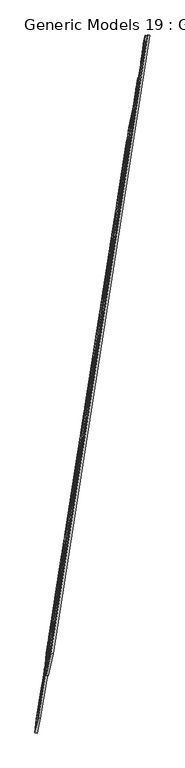
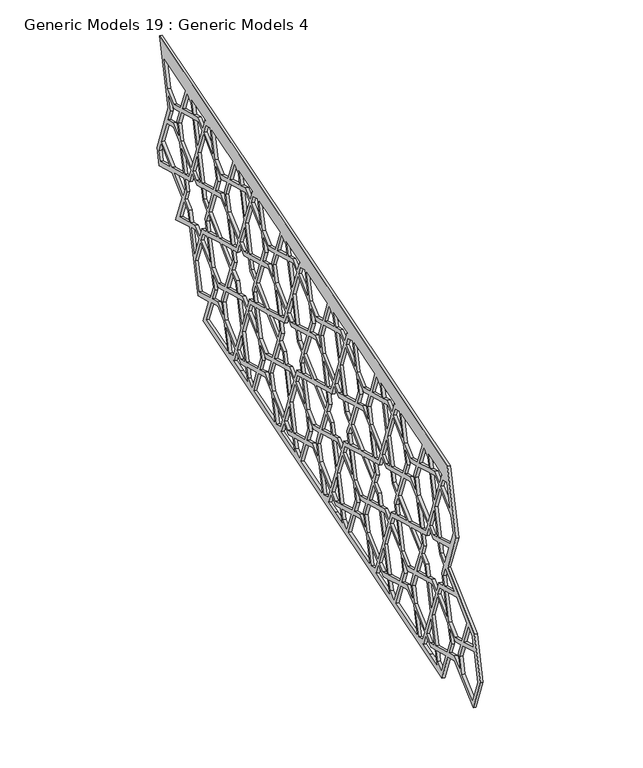
"""IFC4 building model written with IfcOpenShell, lengths in millimetres: proxy geometry, Generic Models 19 : Generic Models 4."""

from ifc_helpers import new_model, si_unit, frame, origin, place, context, project, spatial, polyline, outline, extrude, source, transform, mapped, element, save


def generic_models_19_generic_models_4_44be56ef(model_context):
    return source(origin(), model_context, "Body", "SweptSolid", [
        extrude(outline(polyline([(1370.5827464, 946.960932), (880.7266208, -235.65637), (-21456.4557581, -235.65637), (-21006.3144877, 851.08079), (-21997.8480414, 440.3741445), (-22497.4239808, 1646.4571529), (-22915.1414634, 2654.9163648), (-24167.9876101, 2135.9704992), (-23661.4008358, 3358.9791603), (-24623.0969225, 3757.3267223), (-25790.6671723, 3273.7032898), (-26040.9440156, 3877.925039), (-25123.6506012, 6092.4672406), (-26083.298603, 8409.2624616), (840.6438167, 8409.2624616), (1800.2918185, 6092.4672405), (1120.3698923, 4450.9905052), (3679.1400607, 3391.1131984), (4328.3107126, 1823.8766063), (3755.2452294, 440.3741445), (2536.5408999, 945.1780063), (1951.4096414, 1187.5473094), (1370.5827464, 946.960932)]), holes=[polyline([(389.3180584, 0.0), (317.6943481, 29.6675122), (147.5740853, 440.3741577), (-263.132547, 270.2539004), (-673.8391793, 440.3741577), (-843.9594419, 29.6675122), (-915.5831523, 0.0), (-263.1325469, 0.0), (389.3180584, 0.0)]), polyline([(-263.132547, 462.0141581), (79.776596, 604.0517758), (-263.132547, 1431.9076795), (-606.0416899, 604.0517757), (-263.132547, 462.0141581)]), polyline([(79.7766093, 2722.7138672), (-263.1325469, 2864.7514903), (-606.0417032, 2722.7138672), (-263.132547, 1894.8579316), (79.7766093, 2722.7138672)]), polyline([(1951.4096546, 3782.0449047), (959.8761141, 3371.3382647), (1370.5827596, 2379.804711), (1951.4096865, 2139.2183204), (2532.2365815, 2379.8046977), (2942.943227, 3371.3382514), (1951.4096546, 3782.0449047)]), polyline([(796.198496, 3303.5407754), (453.2893398, 3161.5031522), (311.2517167, 2818.593996), (1139.1076523, 2475.6848398), (796.198496, 3303.5407754)]), polyline([(243.4542274, 2654.9163779), (-167.2524259, 1663.3828056), (243.4542142, 671.849265), (1234.9877678, 1082.5559105), (1475.5741584, 1663.3828374), (1234.9877811, 2244.2097325), (243.4542274, 2654.9163779)]), polyline([(311.2517034, 508.171647), (453.2893266, 165.2624907), (796.1984828, 23.2248676), (1139.107639, 851.0808032), (311.2517034, 508.171647)]), polyline([(2235.4849118, 1663.3827923), (2436.3564526, 2148.3295904), (1951.4096865, 1947.4580628), (1466.4628884, 2148.3296037), (1667.334416, 1663.3828374), (1466.4628752, 1178.4360394), (1951.4096415, 1379.3075669), (2436.3564395, 1178.4360261), (2235.4849118, 1663.3827923)]), polyline([(3659.3651005, 671.8492519), (4070.0717537, 1663.3828242), (3659.3651138, 2654.9163648), (2667.83156, 2244.2097192), (2427.2451695, 1663.3827923), (2667.8315468, 1082.5558973), (3659.3651005, 671.8492519)]), polyline([(3591.5676245, 2818.5939828), (3449.5300012, 3161.503139), (3106.6208451, 3303.5407622), (2763.7116888, 2475.6848266), (3591.5676245, 2818.5939828)]), polyline([(1719.9345604, 3877.925039), (892.0786248, 4220.8341952), (750.0410017, 3877.925039), (892.0786249, 3535.0158827), (1719.9345604, 3877.925039)]), polyline([(728.4010067, 3467.2183935), (558.280744, 3877.925039), (728.4010067, 4288.6316845), (317.6943612, 4458.7519472), (147.5740986, 4869.4585927), (-263.132547, 4699.3383299), (-673.8391925, 4869.4585927), (-843.9594552, 4458.7519472), (-1254.6661006, 4288.6316845), (-1084.5458379, 3877.925039), (-1254.6661006, 3467.2183935), (-843.9594551, 3297.0981308), (-673.8391925, 2886.3914853), (-263.1325469, 3056.511748), (147.5740986, 2886.3914853), (317.6943613, 3297.0981308), (728.4010067, 3467.2183935)]), polyline([(389.3180584, 7755.8500779), (-263.132547, 7755.8500779), (-915.5831523, 7755.8500779), (-843.959442, 7726.1825658), (-673.8391792, 7315.4759203), (-263.1325469, 7485.5961775), (147.5740853, 7315.4759203), (317.694348, 7726.1825657), (389.3180584, 7755.8500779)]), polyline([(-263.1325469, 7293.8359199), (-606.0416899, 7151.7983022), (-263.1325469, 6323.9423984), (79.776596, 7151.7983022), (-263.1325469, 7293.8359199)]), polyline([(79.7766093, 5033.1362108), (-263.1325469, 5860.9921464), (-606.0417032, 5033.1362108), (-263.132547, 4891.0985876), (79.7766093, 5033.1362108)]), polyline([(796.198496, 4452.3093025), (1139.1076523, 5280.1652382), (311.2517166, 4937.2560819), (453.2893398, 4594.3469257), (796.198496, 4452.3093025)]), polyline([(243.4542273, 5100.9337001), (1234.9877811, 5511.6403455), (1475.5741583, 6092.4672406), (1234.9877678, 6673.2941674), (243.4542141, 7084.0008129), (-167.2524258, 6092.4672724), (243.4542273, 5100.9337001)]), polyline([(311.2517034, 7247.678431), (1139.1076391, 6904.7692748), (796.1984828, 7732.6252104), (453.2893266, 7590.5875873), (311.2517034, 7247.678431)]), polyline([(-2477.6747486, 3782.0449047), (-3469.2083209, 3371.3382515), (-3058.5016754, 2379.8046978), (-2477.6747804, 2139.2183204), (-1896.8478535, 2379.804711), (-1486.141208, 3371.3382647), (-2477.6747486, 3782.0449047)]), polyline([(-1322.4635899, 3303.5407754), (-1665.3727462, 2475.6848398), (-837.5168105, 2818.593996), (-979.5544337, 3161.5031522), (-1322.4635899, 3303.5407754)]), polyline([(-769.7193212, 2654.9163779), (-1761.252875, 2244.2097324), (-2001.8392522, 1663.3828374), (-1761.2528617, 1082.5559106), (-769.719308, 671.849265), (-359.0126681, 1663.3828055), (-769.7193212, 2654.9163779)]), polyline([(-837.5167973, 508.171647), (-1665.372733, 851.0808032), (-1322.4635767, 23.2248675), (-979.5544205, 165.2624908), (-837.5167973, 508.171647)]), polyline([(-2761.7500058, 1663.3827923), (-2962.6215334, 1178.4360262), (-2477.6747353, 1379.307567), (-1992.7279691, 1178.4360394), (-2193.5995099, 1663.3828374), (-1992.7279823, 2148.3296036), (-2477.6747804, 1947.4580629), (-2962.6215466, 2148.3295904), (-2761.7500058, 1663.3827923)]), polyline([(-3450.7457178, 0.0), (-1504.6037793, 0.0), (-1896.8478403, 946.960932), (-2477.6747353, 1187.5473093), (-3058.5016622, 946.9609188), (-3450.7457178, 0.0)]), polyline([(-3289.9767696, 851.08079), (-4117.8327052, 508.1716337), (-3975.795082, 165.2624775), (-3632.8859257, 23.2248543), (-3289.9767696, 851.08079)]), polyline([(-4185.6301944, 671.8492519), (-3194.0966407, 1082.5558973), (-2953.5102634, 1663.3827923), (-3194.0966539, 2244.2097192), (-4185.6302076, 2654.9163647), (-4596.3368477, 1663.3828242), (-4185.6301944, 671.8492519)]), polyline([(-4117.8327183, 2818.5939828), (-3289.9767827, 2475.6848266), (-3632.885939, 3303.5407622), (-3975.7950952, 3161.5031391), (-4117.8327183, 2818.5939828)]), polyline([(-4349.3078257, 2722.713854), (-4692.2169764, 2864.7514749), (-5035.1261272, 2722.713854), (-4692.2169765, 1894.8579316), (-4349.3078257, 2722.713854)]), polyline([(-4692.2169765, 270.2538786), (-5102.9236297, 440.3741445), (-5273.0438924, 29.667499), (-5344.6675708, 0.0), (-4039.7663821, 0.0), (-4111.3900605, 29.667499), (-4281.5103232, 440.3741445), (-4692.2169765, 270.2538786)]), polyline([(-4692.2169765, 462.0141362), (-4349.3078125, 604.0517625), (-4692.2169765, 1431.9077169), (-5035.1261404, 604.0517626), (-4692.2169765, 462.0141362)]), polyline([(-3870.8036965, 3877.9250389), (-3700.6834283, 4288.6316976), (-4111.3900738, 4458.7519604), (-4281.5103364, 4869.4586059), (-4692.2169765, 4699.3383455), (-5102.9236165, 4869.4586059), (-5273.0438793, 4458.7519604), (-5683.7505247, 4288.6316976), (-5513.6302565, 3877.925039), (-5683.7505247, 3467.2183803), (-5273.0438792, 3297.0981176), (-5102.9236165, 2886.3914721), (-4692.2169765, 3056.5117326), (-4281.5103364, 2886.3914721), (-4111.3900737, 3297.0981176), (-3700.6834283, 3467.2183803), (-3870.8036965, 3877.9250389)]), polyline([(-3679.0434388, 3877.9250389), (-3537.0058101, 3535.0158695), (-2709.1498427, 3877.925039), (-3537.0058102, 4220.8342084), (-3679.0434388, 3877.9250389)]), polyline([(-2246.1996543, 3877.925039), (-1418.3437187, 3535.0158827), (-1276.3060956, 3877.925039), (-1418.3437188, 4220.8341952), (-2246.1996543, 3877.925039)]), polyline([(-2477.6747486, 3973.8051732), (-1486.141208, 4384.5118133), (-1896.8478535, 5376.045367), (-2477.6747804, 5616.6317575), (-3058.5016754, 5376.0453802), (-3469.2083209, 4384.5118265), (-2477.6747486, 3973.8051732)]), polyline([(-1322.46359, 4452.3093026), (-979.5544337, 4594.3469257), (-837.5168106, 4937.2560819), (-1665.3727462, 5280.1652382), (-1322.46359, 4452.3093026)]), polyline([(-769.7193213, 5100.9337001), (-359.012668, 6092.4672724), (-769.7193081, 7084.0008129), (-1761.2528617, 6673.2941675), (-2001.8392523, 6092.4672406), (-1761.252875, 5511.6403455), (-769.7193213, 5100.9337001)]), polyline([(-837.5167973, 7247.678431), (-979.5544205, 7590.5875873), (-1322.4635767, 7732.6252104), (-1665.3727329, 6904.7692748), (-837.5167973, 7247.678431)]), polyline([(-2761.7500058, 6092.4672856), (-2962.6215466, 5607.5204875), (-2477.6747804, 5808.3920151), (-1992.7279824, 5607.5204744), (-2193.5995099, 6092.4672406), (-1992.7279691, 6577.4140386), (-2477.6747354, 6376.542511), (-2962.6215334, 6577.4140518), (-2761.7500058, 6092.4672856)]), polyline([(-3450.7457178, 7755.850078), (-3058.5016622, 6808.8891592), (-2477.6747354, 6568.3027687), (-1896.8478403, 6808.889146), (-1504.6037793, 7755.8500779), (-3450.7457178, 7755.850078)]), polyline([(-3289.9767696, 6904.769288), (-3632.8859258, 7732.6252235), (-3975.795082, 7590.5876004), (-4117.8327052, 7247.6784442), (-3289.9767696, 6904.769288)]), polyline([(-4185.6301944, 7084.0008262), (-4596.3368476, 6092.4672537), (-4185.6302077, 5100.9337132), (-3194.0966539, 5511.6403588), (-2953.5102634, 6092.4672856), (-3194.0966407, 6673.2941806), (-4185.6301944, 7084.0008262)]), polyline([(-4117.8327184, 4937.2560952), (-3975.7950952, 4594.346939), (-3632.885939, 4452.3093158), (-3289.9767827, 5280.1652513), (-4117.8327184, 4937.2560952)]), polyline([(-4349.3078257, 5033.136224), (-4692.2169765, 5860.9921464), (-5035.1261273, 5033.136224), (-4692.2169765, 4891.0986031), (-4349.3078257, 5033.136224)]), polyline([(-4692.2169765, 7485.5961994), (-4281.5103233, 7315.4759335), (-4111.3900606, 7726.182579), (-4039.7663821, 7755.850078), (-5344.6675708, 7755.8500779), (-5273.0438925, 7726.182579), (-5102.9236297, 7315.4759334), (-4692.2169765, 7485.5961994)]), polyline([(-4692.2169765, 7293.8359418), (-5035.1261404, 7151.7983154), (-4692.2169765, 6323.9423612), (-4349.3078125, 7151.7983153), (-4692.2169765, 7293.8359418)]), polyline([(-8468.8508006, 0.0), (-8540.474511, 29.6675122), (-8710.5947737, 440.3741577), (-9121.3014061, 270.2539004), (-9532.0080383, 440.3741577), (-9702.128301, 29.6675122), (-9773.7520113, 0.0), (-9121.301406, 0.0), (-8468.8508006, 0.0)]), polyline([(-9121.301406, 462.0141581), (-8778.3922629, 604.0517758), (-9121.301406, 1431.9076795), (-9464.210549, 604.0517757), (-9121.301406, 462.0141581)]), polyline([(-8778.3922497, 2722.7138672), (-9121.301406, 2864.7514903), (-9464.2105622, 2722.7138672), (-9121.301406, 1894.8579316), (-8778.3922497, 2722.7138672)]), polyline([(-6906.7592044, 3782.0449047), (-7898.292745, 3371.3382647), (-7487.5860995, 2379.804711), (-6906.7591726, 2139.2183204), (-6325.9322776, 2379.8046977), (-5915.225632, 3371.3382514), (-6906.7592044, 3782.0449047)]), polyline([(-8061.970363, 3303.5407754), (-8404.8795193, 3161.5031522), (-8546.9171424, 2818.593996), (-7719.0612068, 2475.6848398), (-8061.970363, 3303.5407754)]), polyline([(-8614.7146316, 2654.9163779), (-9025.4212849, 1663.3828056), (-8614.7146449, 671.849265), (-7623.1810912, 1082.5559105), (-7382.5947007, 1663.3828374), (-7623.181078, 2244.2097325), (-8614.7146316, 2654.9163779)]), polyline([(-8546.9171556, 508.171647), (-8404.8795325, 165.2624907), (-8061.9703762, 23.2248676), (-7719.06122, 851.0808032), (-8546.9171556, 508.171647)]), polyline([(-6622.6839472, 1663.3827923), (-6421.8124064, 2148.3295904), (-6906.7591726, 1947.4580628), (-7391.7059706, 2148.3296037), (-7190.8344431, 1663.3828374), (-7391.7059839, 1178.4360394), (-6906.7592176, 1379.3075669), (-6421.8124196, 1178.4360261), (-6622.6839472, 1663.3827923)]), polyline([(-5933.6882351, 0.0), (-6325.9322907, 946.9609188), (-6906.7592176, 1187.5473094), (-7487.5861127, 946.960932), (-7879.8301737, 0.0), (-5933.6882351, 0.0)]), polyline([(-6094.4571834, 851.08079), (-5751.5480272, 23.2248544), (-5408.6388709, 165.2624776), (-5266.6012478, 508.1716337), (-6094.4571834, 851.08079)]), polyline([(-5198.8037585, 671.8492519), (-4788.0971053, 1663.3828242), (-5198.8037453, 2654.9163648), (-6190.3372991, 2244.2097192), (-6430.9236895, 1663.3827923), (-6190.3373122, 1082.5558973), (-5198.8037585, 671.8492519)]), polyline([(-5266.6012346, 2818.5939828), (-5408.6388578, 3161.503139), (-5751.548014, 3303.5407622), (-6094.4571702, 2475.6848266), (-5266.6012346, 2818.5939828)]), polyline([(-5705.3905142, 3877.925039), (-5847.4281428, 4220.8342084), (-6675.2841103, 3877.9250389), (-5847.4281428, 3535.0158696), (-5705.3905142, 3877.925039)]), polyline([(-7138.2342986, 3877.925039), (-7966.0902342, 4220.8341952), (-8108.1278574, 3877.925039), (-7966.0902342, 3535.0158827), (-7138.2342986, 3877.925039)]), polyline([(-8129.7678523, 3467.2183935), (-8299.8881151, 3877.925039), (-8129.7678523, 4288.6316845), (-8540.4744978, 4458.7519472), (-8710.5947605, 4869.4585927), (-9121.301406, 4699.3383299), (-9532.0080515, 4869.4585927), (-9702.1283143, 4458.7519472), (-10112.8349597, 4288.6316845), (-9942.714697, 3877.925039), (-10112.8349597, 3467.2183935), (-9702.1283142, 3297.0981308), (-9532.0080515, 2886.3914853), (-9121.301406, 3056.511748), (-8710.5947605, 2886.3914853), (-8540.4744978, 3297.0981308), (-8129.7678523, 3467.2183935)]), polyline([(-8468.8508007, 7755.8500779), (-9121.3014061, 7755.8500779), (-9773.7520113, 7755.8500779), (-9702.128301, 7726.1825658), (-9532.0080383, 7315.4759203), (-9121.301406, 7485.5961775), (-8710.5947737, 7315.4759203), (-8540.4745109, 7726.1825657), (-8468.8508007, 7755.8500779)]), polyline([(-9121.301406, 7293.8359199), (-9464.210549, 7151.7983022), (-9121.301406, 6323.9423984), (-8778.392263, 7151.7983022), (-9121.301406, 7293.8359199)]), polyline([(-8778.3922498, 5033.1362108), (-9121.301406, 5860.9921464), (-9464.2105623, 5033.1362108), (-9121.301406, 4891.0985876), (-8778.3922498, 5033.1362108)]), polyline([(-6906.7592044, 3973.8051733), (-5915.2256321, 4384.5118265), (-6325.9322776, 5376.0453802), (-6906.7591726, 5616.6317575), (-7487.5860995, 5376.045367), (-7898.292745, 4384.5118133), (-6906.7592044, 3973.8051733)]), polyline([(-8061.970363, 4452.3093026), (-7719.0612068, 5280.1652382), (-8546.9171424, 4937.2560819), (-8404.8795192, 4594.3469257), (-8061.970363, 4452.3093026)]), polyline([(-8614.7146316, 5100.9337001), (-7623.181078, 5511.6403455), (-7382.5947007, 6092.4672406), (-7623.1810912, 6673.2941674), (-8614.7146449, 7084.0008129), (-9025.4212849, 6092.4672724), (-8614.7146316, 5100.9337001)]), polyline([(-8546.9171556, 7247.678431), (-7719.06122, 6904.7692748), (-8061.9703762, 7732.6252104), (-8404.8795324, 7590.5875873), (-8546.9171556, 7247.678431)]), polyline([(-6622.6839471, 6092.4672856), (-6421.8124196, 6577.4140519), (-6906.7592176, 6376.542511), (-7391.7059838, 6577.4140386), (-7190.8344431, 6092.4672406), (-7391.7059706, 5607.5204743), (-6906.7591726, 5808.3920151), (-6421.8124064, 5607.5204876), (-6622.6839471, 6092.4672856)]), polyline([(-5933.6882352, 7755.850078), (-7879.8301737, 7755.850078), (-7487.5861126, 6808.8891459), (-6906.7592176, 6568.3027687), (-6325.9322907, 6808.8891592), (-5933.6882352, 7755.850078)]), polyline([(-6094.4571834, 6904.769288), (-5266.6012478, 7247.6784442), (-5408.638871, 7590.5876004), (-5751.5480272, 7732.6252236), (-6094.4571834, 6904.769288)]), polyline([(-5198.8037585, 7084.0008261), (-6190.3373122, 6673.2941806), (-6430.9236896, 6092.4672856), (-6190.3372991, 5511.6403588), (-5198.8037454, 5100.9337132), (-4788.0971053, 6092.4672537), (-5198.8037585, 7084.0008261)]), polyline([(-5266.6012346, 4937.2560952), (-6094.4571702, 5280.1652513), (-5751.548014, 4452.3093157), (-5408.6388578, 4594.3469389), (-5266.6012346, 4937.2560952)]), polyline([(-22982.9389527, 2818.5939828), (-23124.9765758, 3161.503139), (-23467.8857321, 3303.5407622), (-23810.7948883, 2475.6848266), (-22982.9389527, 2818.5939828)]), polyline([(-22751.4638454, 2722.713854), (-22408.5546946, 1894.8579316), (-22065.6455438, 2722.713854), (-22408.5546946, 2864.7514749), (-22751.4638454, 2722.713854)]), polyline([(-23229.9679746, 3877.925039), (-23400.0882428, 3467.2183803), (-22989.3815973, 3297.0981176), (-22819.2613346, 2886.3914721), (-22408.5546946, 3056.5117326), (-21997.8480545, 2886.3914721), (-21827.7277918, 3297.0981176), (-21417.0211464, 3467.2183803), (-21587.1414145, 3877.9250389), (-21417.0211464, 4288.6316976), (-21827.7277919, 4458.7519604), (-21997.8480545, 4869.4586059), (-22408.5546945, 4699.3383455), (-22819.2613346, 4869.4586059), (-22989.3815974, 4458.7519604), (-23400.0882428, 4288.6316976), (-23229.9679746, 3877.925039)]), polyline([(-23421.7282323, 3877.925039), (-23563.7658609, 4220.8342084), (-24391.6218284, 3877.9250389), (-23563.7658609, 3535.0158696), (-23421.7282323, 3877.925039)]), polyline([(-24854.5720167, 3877.925039), (-25682.4279524, 4220.8341952), (-25824.4655755, 3877.925039), (-25682.4279523, 3535.0158827), (-24854.5720167, 3877.925039)]), polyline([(-24623.0969225, 3973.8051733), (-23631.5633502, 4384.5118265), (-24042.2699957, 5376.0453802), (-24623.0968907, 5616.6317575), (-25203.9238176, 5376.045367), (-25614.630463, 4384.5118133), (-24623.0969225, 3973.8051733)]), polyline([(-24339.0216653, 6092.4672856), (-24138.1501377, 6577.4140519), (-24623.0969357, 6376.542511), (-25108.0437019, 6577.4140386), (-24907.1721612, 6092.4672406), (-25108.0436887, 5607.5204743), (-24623.0968907, 5808.3920151), (-24138.1501244, 5607.5204876), (-24339.0216653, 6092.4672856)]), polyline([(-23650.0259532, 7755.850078), (-25596.1678918, 7755.850078), (-25203.9238307, 6808.8891459), (-24623.0969357, 6568.3027687), (-24042.2700089, 6808.8891592), (-23650.0259532, 7755.850078)]), polyline([(-23810.7949015, 6904.769288), (-22982.9389659, 7247.6784442), (-23124.9765891, 7590.5876004), (-23467.8857453, 7732.6252236), (-23810.7949015, 6904.769288)]), polyline([(-22915.1414767, 7084.0008261), (-23906.6750303, 6673.2941806), (-24147.2614076, 6092.4672856), (-23906.6750171, 5511.6403588), (-22915.1414634, 5100.9337132), (-22504.4348234, 6092.4672537), (-22915.1414767, 7084.0008261)]), polyline([(-22982.9389526, 4937.2560952), (-23810.7948883, 5280.1652513), (-23467.8857321, 4452.3093157), (-23124.9765759, 4594.3469389), (-22982.9389526, 4937.2560952)]), polyline([(-22751.4638453, 5033.136224), (-22408.5546945, 4891.0986031), (-22065.6455438, 5033.136224), (-22408.5546946, 5860.9921464), (-22751.4638453, 5033.136224)]), polyline([(-22408.5546946, 7485.5961994), (-21997.8480414, 7315.4759335), (-21827.7277787, 7726.182579), (-21756.1041002, 7755.850078), (-23061.0052889, 7755.8500779), (-22989.3816105, 7726.182579), (-22819.2613478, 7315.4759334), (-22408.5546946, 7485.5961994)]), polyline([(-22408.5546946, 7293.8359418), (-22751.4638585, 7151.7983154), (-22408.5546946, 6323.9423612), (-22065.6455306, 7151.7983153), (-22408.5546946, 7293.8359418)]), polyline([(-18631.9208704, 0.0), (-17979.470265, 0.0), (-17327.0196597, 0.0), (-17398.64337, 29.6675122), (-17568.7636328, 440.3741577), (-17979.470265, 270.2539004), (-18390.1768973, 440.3741577), (-18560.29716, 29.6675122), (-18631.9208704, 0.0)]), polyline([(-17979.470265, 462.0141581), (-17636.561122, 604.0517758), (-17979.470265, 1431.9076795), (-18322.3794081, 604.0517758), (-17979.470265, 462.0141581)]), polyline([(-18322.3794213, 2722.7138672), (-17979.4702651, 1894.8579316), (-17636.5611088, 2722.7138672), (-17979.470265, 2864.7514903), (-18322.3794213, 2722.7138672)]), polyline([(-20194.0124666, 3782.0449047), (-21185.546039, 3371.3382515), (-20774.8393935, 2379.8046978), (-20194.0124985, 2139.2183204), (-19613.1855716, 2379.804711), (-19202.4789261, 3371.3382647), (-20194.0124666, 3782.0449047)]), polyline([(-19038.801308, 3303.5407754), (-19381.7104643, 2475.6848398), (-18553.8545286, 2818.593996), (-18695.8921518, 3161.5031522), (-19038.801308, 3303.5407754)]), polyline([(-18486.0570393, 2654.9163779), (-19477.5905931, 2244.2097324), (-19718.1769704, 1663.3828374), (-19477.5905798, 1082.5559106), (-18486.0570262, 671.849265), (-18075.3503861, 1663.3828055), (-18486.0570393, 2654.9163779)]), polyline([(-18553.8545154, 508.171647), (-19381.710451, 851.0808032), (-19038.8012948, 23.2248675), (-18695.8921386, 165.2624908), (-18553.8545154, 508.171647)]), polyline([(-20478.0877238, 1663.3827923), (-20678.9592515, 1178.4360262), (-20194.0124534, 1379.307567), (-19709.0656872, 1178.4360394), (-19909.937228, 1663.3828374), (-19709.0657005, 2148.3296036), (-20194.0124985, 1947.4580629), (-20678.9592647, 2148.3295904), (-20478.0877238, 1663.3827923)]), polyline([(-21167.0834359, 0.0), (-19220.9414973, 0.0), (-19613.1855585, 946.960932), (-20194.0124534, 1187.5473093), (-20774.8393803, 946.9609188), (-21167.0834359, 0.0)]), polyline([(-21901.9679125, 671.8492519), (-20910.4343589, 1082.5558973), (-20669.8479815, 1663.3827923), (-20910.434372, 2244.2097192), (-21901.9679257, 2654.9163647), (-22312.6745658, 1663.3828242), (-21901.9679125, 671.8492519)]), polyline([(-21834.1704365, 2818.5939828), (-21006.3145009, 2475.6848266), (-21349.2236571, 3303.5407622), (-21692.1328133, 3161.5031391), (-21834.1704365, 2818.5939828)]), polyline([(-21395.3811569, 3877.9250389), (-21253.3435282, 3535.0158695), (-20425.4875608, 3877.925039), (-21253.3435283, 4220.8342084), (-21395.3811569, 3877.9250389)]), polyline([(-19962.5373724, 3877.925039), (-19134.6814368, 3535.0158827), (-18992.6438137, 3877.925039), (-19134.6814368, 4220.8341952), (-19962.5373724, 3877.925039)]), polyline([(-18971.0038187, 3467.2183935), (-18560.2971732, 3297.0981308), (-18390.1769105, 2886.3914853), (-17979.4702651, 3056.511748), (-17568.7636196, 2886.3914853), (-17398.6433568, 3297.0981308), (-16987.9367114, 3467.2183935), (-17158.0569741, 3877.925039), (-16987.9367114, 4288.6316845), (-17398.6433568, 4458.7519472), (-17568.7636195, 4869.4585927), (-17979.4702651, 4699.3383299), (-18390.1769106, 4869.4585927), (-18560.2971733, 4458.7519472), (-18971.0038188, 4288.6316845), (-18800.883556, 3877.925039), (-18971.0038187, 3467.2183935)]), polyline([(-18631.9208703, 7755.8500779), (-18560.2971601, 7726.1825658), (-18390.1768974, 7315.4759203), (-17979.470265, 7485.5961775), (-17568.7636327, 7315.4759203), (-17398.64337, 7726.1825657), (-17327.0196598, 7755.8500779), (-17979.470265, 7755.8500779), (-18631.9208703, 7755.8500779)]), polyline([(-17979.470265, 7293.8359199), (-18322.3794081, 7151.7983022), (-17979.470265, 6323.9423984), (-17636.561122, 7151.7983022), (-17979.470265, 7293.8359199)]), polyline([(-18322.3794212, 5033.1362108), (-17979.4702651, 4891.0985876), (-17636.5611089, 5033.1362108), (-17979.4702651, 5860.9921464), (-18322.3794212, 5033.1362108)]), polyline([(-20194.0124667, 3973.8051732), (-19202.4789261, 4384.5118133), (-19613.1855716, 5376.045367), (-20194.0124985, 5616.6317575), (-20774.8393935, 5376.0453802), (-21185.5460389, 4384.5118265), (-20194.0124667, 3973.8051732)]), polyline([(-19038.8013081, 4452.3093026), (-18695.8921518, 4594.3469257), (-18553.8545287, 4937.2560819), (-19381.7104643, 5280.1652382), (-19038.8013081, 4452.3093026)]), polyline([(-18486.0570393, 5100.9337001), (-18075.3503861, 6092.4672724), (-18486.0570262, 7084.0008129), (-19477.5905799, 6673.2941675), (-19718.1769703, 6092.4672406), (-19477.590593, 5511.6403455), (-18486.0570393, 5100.9337001)]), polyline([(-18553.8545154, 7247.678431), (-18695.8921386, 7590.5875873), (-19038.8012949, 7732.6252104), (-19381.710451, 6904.7692748), (-18553.8545154, 7247.678431)]), polyline([(-20478.0877239, 6092.4672856), (-20678.9592647, 5607.5204875), (-20194.0124985, 5808.3920151), (-19709.0657005, 5607.5204744), (-19909.937228, 6092.4672406), (-19709.0656872, 6577.4140386), (-20194.0124534, 6376.542511), (-20678.9592515, 6577.4140518), (-20478.0877239, 6092.4672856)]), polyline([(-21167.0834359, 7755.850078), (-20774.8393803, 6808.8891592), (-20194.0124534, 6568.3027687), (-19613.1855584, 6808.889146), (-19220.9414974, 7755.8500779), (-21167.0834359, 7755.850078)]), polyline([(-21006.3144876, 6904.769288), (-21349.2236439, 7732.6252235), (-21692.1328001, 7590.5876004), (-21834.1704233, 7247.6784442), (-21006.3144876, 6904.769288)]), polyline([(-21901.9679125, 7084.0008262), (-22312.6745657, 6092.4672537), (-21901.9679257, 5100.9337132), (-20910.434372, 5511.6403588), (-20669.8479816, 6092.4672856), (-20910.4343589, 6673.2941806), (-21901.9679125, 7084.0008262)]), polyline([(-21834.1704365, 4937.2560952), (-21692.1328133, 4594.346939), (-21349.223657, 4452.3093158), (-21006.3145008, 5280.1652513), (-21834.1704365, 4937.2560952)]), polyline([(-15764.9280635, 3782.0449047), (-16756.461604, 3371.3382647), (-16345.7549585, 2379.804711), (-15764.9280316, 2139.2183204), (-15184.1011366, 2379.8046977), (-14773.3944911, 3371.3382514), (-15764.9280635, 3782.0449047)]), polyline([(-16920.1392221, 3303.5407754), (-17263.0483783, 3161.5031522), (-17405.0860015, 2818.593996), (-16577.2300659, 2475.6848398), (-16920.1392221, 3303.5407754)]), polyline([(-17472.8834907, 2654.9163779), (-17883.590144, 1663.3828056), (-17472.8835039, 671.849265), (-16481.3499503, 1082.5559105), (-16240.7635597, 1663.3828374), (-16481.349937, 2244.2097325), (-17472.8834907, 2654.9163779)]), polyline([(-17405.0860146, 508.171647), (-17263.0483915, 165.2624907), (-16920.1392353, 23.2248676), (-16577.2300791, 851.0808032), (-17405.0860146, 508.171647)]), polyline([(-15480.8528062, 1663.3827923), (-15279.9812655, 2148.3295904), (-15764.9280316, 1947.4580629), (-16249.8748297, 2148.3296037), (-16049.0033021, 1663.3828374), (-16249.8748429, 1178.4360394), (-15764.9280767, 1379.3075669), (-15279.9812786, 1178.4360261), (-15480.8528062, 1663.3827923)]), polyline([(-14791.8570942, 0.0), (-15184.1011498, 946.9609188), (-15764.9280767, 1187.5473094), (-16345.7549717, 946.960932), (-16737.9990328, 0.0), (-14791.8570942, 0.0)]), polyline([(-14952.6260424, 851.08079), (-14609.7168862, 23.2248544), (-14266.80773, 165.2624776), (-14124.7701068, 508.1716337), (-14952.6260424, 851.08079)]), polyline([(-14056.9726176, 671.8492519), (-13646.2659644, 1663.3828242), (-14056.9726044, 2654.9163648), (-15048.5061581, 2244.2097192), (-15289.0925486, 1663.3827923), (-15048.5061713, 1082.5558973), (-14056.9726176, 671.8492519)]), polyline([(-14124.7700937, 2818.5939828), (-14266.8077168, 3161.503139), (-14609.716873, 3303.5407622), (-14952.6260293, 2475.6848266), (-14124.7700937, 2818.5939828)]), polyline([(-13893.2949863, 2722.713854), (-13550.3858356, 1894.8579316), (-13207.4766847, 2722.713854), (-13550.3858355, 2864.7514749), (-13893.2949863, 2722.713854)]), polyline([(-13550.3858355, 270.2538786), (-13961.0924887, 440.3741445), (-14131.2127515, 29.667499), (-14202.8364299, 0.0), (-12897.9352411, 0.0), (-12969.5589196, 29.667499), (-13139.6791823, 440.3741445), (-13550.3858355, 270.2538786)]), polyline([(-13550.3858355, 462.0141362), (-13207.4766716, 604.0517625), (-13550.3858355, 1431.9077169), (-13893.2949995, 604.0517626), (-13550.3858355, 462.0141362)]), polyline([(-14371.7991156, 3877.925039), (-14541.9193838, 3467.2183803), (-14131.2127382, 3297.0981176), (-13961.0924755, 2886.3914721), (-13550.3858355, 3056.5117326), (-13139.6791955, 2886.3914721), (-12969.5589328, 3297.0981176), (-12558.8522873, 3467.2183803), (-12728.9725555, 3877.9250389), (-12558.8522873, 4288.6316976), (-12969.5589328, 4458.7519604), (-13139.6791955, 4869.4586059), (-13550.3858356, 4699.3383455), (-13961.0924756, 4869.4586059), (-14131.2127383, 4458.7519604), (-14541.9193838, 4288.6316976), (-14371.7991156, 3877.925039)]), polyline([(-14563.5593732, 3877.925039), (-14705.5970018, 4220.8342084), (-15533.4529693, 3877.9250389), (-14705.5970019, 3535.0158696), (-14563.5593732, 3877.925039)]), polyline([(-15996.4031576, 3877.925039), (-16824.2590933, 4220.8341952), (-16966.2967164, 3877.925039), (-16824.2590932, 3535.0158827), (-15996.4031576, 3877.925039)]), polyline([(-15764.9280635, 3973.8051733), (-14773.3944911, 4384.5118265), (-15184.1011366, 5376.0453802), (-15764.9280316, 5616.6317575), (-16345.7549585, 5376.045367), (-16756.461604, 4384.5118133), (-15764.9280635, 3973.8051733)]), polyline([(-16920.1392221, 4452.3093026), (-16577.2300659, 5280.1652382), (-17405.0860015, 4937.2560819), (-17263.0483783, 4594.3469257), (-16920.1392221, 4452.3093026)]), polyline([(-17472.8834907, 5100.9337001), (-16481.349937, 5511.6403455), (-16240.7635597, 6092.4672406), (-16481.3499502, 6673.2941674), (-17472.883504, 7084.0008129), (-17883.590144, 6092.4672724), (-17472.8834907, 5100.9337001)]), polyline([(-17405.0860146, 7247.678431), (-16577.230079, 6904.7692747), (-16920.1392352, 7732.6252104), (-17263.0483915, 7590.5875873), (-17405.0860146, 7247.678431)]), polyline([(-15480.8528062, 6092.4672856), (-15279.9812786, 6577.4140519), (-15764.9280767, 6376.542511), (-16249.8748428, 6577.4140386), (-16049.0033021, 6092.4672406), (-16249.8748297, 5607.5204743), (-15764.9280316, 5808.3920151), (-15279.9812655, 5607.5204876), (-15480.8528062, 6092.4672856)]), polyline([(-14791.8570942, 7755.850078), (-16737.9990327, 7755.850078), (-16345.7549717, 6808.8891459), (-15764.9280767, 6568.3027687), (-15184.1011498, 6808.8891592), (-14791.8570942, 7755.850078)]), polyline([(-14952.6260425, 6904.769288), (-14124.7701068, 7247.6784442), (-14266.80773, 7590.5876004), (-14609.7168863, 7732.6252236), (-14952.6260425, 6904.769288)]), polyline([(-14056.9726176, 7084.0008261), (-15048.5061713, 6673.2941806), (-15289.0925486, 6092.4672856), (-15048.5061581, 5511.6403588), (-14056.9726043, 5100.9337132), (-13646.2659644, 6092.4672537), (-14056.9726176, 7084.0008261)]), polyline([(-14124.7700937, 4937.2560952), (-14952.6260293, 5280.1652513), (-14609.7168731, 4452.3093157), (-14266.8077168, 4594.3469389), (-14124.7700937, 4937.2560952)]), polyline([(-13893.2949862, 5033.136224), (-13550.3858356, 4891.0986031), (-13207.4766848, 5033.136224), (-13550.3858355, 5860.9921464), (-13893.2949862, 5033.136224)]), polyline([(-13550.3858356, 7485.5961994), (-13139.6791823, 7315.4759335), (-12969.5589196, 7726.182579), (-12897.9352412, 7755.850078), (-14202.8364299, 7755.8500779), (-14131.2127515, 7726.182579), (-13961.0924888, 7315.4759334), (-13550.3858356, 7485.5961994)]), polyline([(-13550.3858356, 7293.8359418), (-13893.2949995, 7151.7983154), (-13550.3858355, 6323.9423612), (-13207.4766716, 7151.7983153), (-13550.3858356, 7293.8359418)]), polyline([(-11335.8436075, 3782.0449047), (-12327.37718, 3371.3382515), (-11916.6705345, 2379.8046978), (-11335.8436395, 2139.2183204), (-10755.0167126, 2379.804711), (-10344.310067, 3371.3382647), (-11335.8436075, 3782.0449047)]), polyline([(-10180.6324489, 3303.5407754), (-10523.5416052, 2475.6848398), (-9695.6856696, 2818.593996), (-9837.7232928, 3161.5031522), (-10180.6324489, 3303.5407754)]), polyline([(-9627.8881803, 2654.9163779), (-10619.4217341, 2244.2097324), (-10860.0081113, 1663.3828374), (-10619.4217208, 1082.5559106), (-9627.8881671, 671.849265), (-9217.1815271, 1663.3828055), (-9627.8881803, 2654.9163779)]), polyline([(-9695.6856564, 508.171647), (-10523.541592, 851.0808032), (-10180.6324357, 23.2248675), (-9837.7232796, 165.2624908), (-9695.6856564, 508.171647)]), polyline([(-11619.9188649, 1663.3827923), (-11820.7903924, 1178.4360262), (-11335.8435944, 1379.307567), (-10850.8968281, 1178.4360394), (-11051.768369, 1663.3828374), (-10850.8968414, 2148.3296036), (-11335.8436395, 1947.4580629), (-11820.7904056, 2148.3295904), (-11619.9188649, 1663.3827923)]), polyline([(-12308.9145768, 0.0), (-10362.7726382, 0.0), (-10755.0166994, 946.960932), (-11335.8435944, 1187.5473093), (-11916.6705213, 946.9609188), (-12308.9145768, 0.0)]), polyline([(-12148.1456286, 851.08079), (-12976.0015643, 508.1716337), (-12833.9639411, 165.2624775), (-12491.0547848, 23.2248543), (-12148.1456286, 851.08079)]), polyline([(-13043.7990535, 671.8492519), (-12052.2654998, 1082.5558973), (-11811.6791225, 1663.3827923), (-12052.265513, 2244.2097192), (-13043.7990666, 2654.9163647), (-13454.5057067, 1663.3828242), (-13043.7990535, 671.8492519)]), polyline([(-12976.0015774, 2818.5939828), (-12148.1456418, 2475.6848266), (-12491.054798, 3303.5407622), (-12833.9639543, 3161.5031391), (-12976.0015774, 2818.5939828)]), polyline([(-12537.2122978, 3877.9250389), (-12395.1746692, 3535.0158695), (-11567.3187018, 3877.925039), (-12395.1746692, 4220.8342084), (-12537.2122978, 3877.9250389)]), polyline([(-11104.3685134, 3877.925039), (-10276.5125778, 3535.0158827), (-10134.4749546, 3877.925039), (-10276.5125777, 4220.8341952), (-11104.3685134, 3877.925039)]), polyline([(-11335.8436076, 3973.8051732), (-10344.310067, 4384.5118133), (-10755.0167126, 5376.045367), (-11335.8436394, 5616.6317575), (-11916.6705345, 5376.0453802), (-12327.37718, 4384.5118265), (-11335.8436076, 3973.8051732)]), polyline([(-10180.632449, 4452.3093026), (-9837.7232928, 4594.3469257), (-9695.6856696, 4937.2560819), (-10523.5416052, 5280.1652382), (-10180.632449, 4452.3093026)]), polyline([(-9627.8881803, 5100.9337001), (-9217.1815271, 6092.4672724), (-9627.8881671, 7084.0008129), (-10619.4217208, 6673.2941675), (-10860.0081113, 6092.4672406), (-10619.4217341, 5511.6403455), (-9627.8881803, 5100.9337001)]), polyline([(-9695.6856563, 7247.678431), (-9837.7232796, 7590.5875873), (-10180.6324358, 7732.6252104), (-10523.541592, 6904.7692748), (-9695.6856563, 7247.678431)]), polyline([(-11619.9188648, 6092.4672856), (-11820.7904056, 5607.5204875), (-11335.8436394, 5808.3920151), (-10850.8968414, 5607.5204744), (-11051.768369, 6092.4672406), (-10850.8968282, 6577.4140386), (-11335.8435943, 6376.542511), (-11820.7903925, 6577.4140518), (-11619.9188648, 6092.4672856)]), polyline([(-12308.9145769, 7755.850078), (-11916.6705212, 6808.8891592), (-11335.8435943, 6568.3027687), (-10755.0166993, 6808.889146), (-10362.7726383, 7755.8500779), (-12308.9145769, 7755.850078)]), polyline([(-12148.1456286, 6904.769288), (-12491.0547849, 7732.6252235), (-12833.963941, 7590.5876004), (-12976.0015643, 7247.6784442), (-12148.1456286, 6904.769288)]), polyline([(-13043.7990535, 7084.0008262), (-13454.5057067, 6092.4672537), (-13043.7990667, 5100.9337132), (-12052.265513, 5511.6403588), (-11811.6791225, 6092.4672856), (-12052.2654998, 6673.2941806), (-13043.7990535, 7084.0008262)]), polyline([(-12976.0015774, 4937.2560952), (-12833.9639542, 4594.346939), (-12491.0547981, 4452.3093158), (-12148.1456418, 5280.1652513), (-12976.0015774, 4937.2560952)])]), frame((-254956.4831825, -20993.2437481, 224.2714031), z_axis=(-0.9877316216829677, 0.15453860459727903, 0.022451352223440614), x_axis=(-0.15465860496684675, -0.9879610441441454, -0.0037001572019027713)), (0.0, 0.0, 1.0), 100.0),
    ])


if __name__ == "__main__":
    model = new_model("IFC4")
    model_context = context("Model", 3, world=origin())
    ifc_project = project(units=[si_unit("LENGTHUNIT", "METRE", prefix="MILLI")], contexts=[model_context])
    site = spatial("IfcSite", under=ifc_project)
    building = spatial("IfcBuilding", under=site)
    placement = place(None, origin())
    generic_models_19_generic_models_4_shape = generic_models_19_generic_models_4_44be56ef(model_context)
    element("IfcBuildingElementProxy", 1, Name="Generic Models 19 : Generic Models 4", ObjectType="Generic Models 19 : Generic Models 4", at=placement, inside=building, context=model_context, shape_type="MappedRepresentation", body=[
        mapped(generic_models_19_generic_models_4_shape, transform((0.0, 0.0, 0.0), x_axis=(1.0, 0.0, 0.0), y_axis=(0.0, 1.0, 0.0), z_axis=(0.0, 0.0, 1.0))),
    ])
    save(model, "model.ifc")
